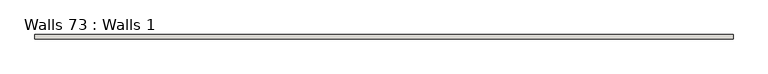
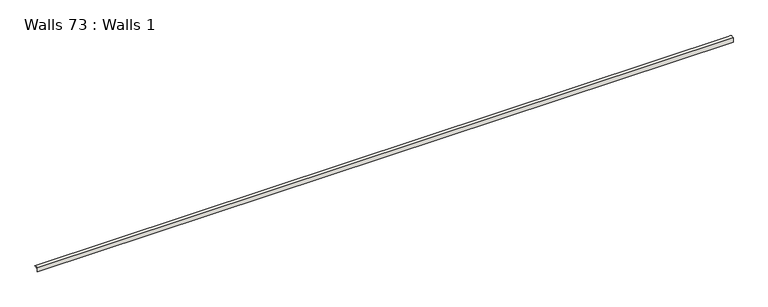
"""IFC4 building model written with IfcOpenShell, lengths in millimetres: wall geometry, Walls 73 : Walls 1."""

from ifc_helpers import new_model, si_unit, point, frame, frame_2d, origin, place, context, project, spatial, polyline, circle_curve, trimmed, segment, composite_curve, outline, extrude, source, transform, mapped, element, save


def walls_73_walls_1_e2f8c1c4(model_context):
    return source(origin(), model_context, "Body", "SweptSolid", [
        extrude(outline(composite_curve([segment(polyline([(1794.6970439, 3.1732159), (1794.6970439, 0.0), (1788.3470439, 0.0), (1788.3470439, -9.8564932), (1786.8041634, -9.8564932), (1786.8041634, 4.8468939)]), True, "CONTINUOUS"), segment(trimmed(circle_curve(frame_2d((1792.7745901, -5.7849882)), 12.1935603), [point((1786.8041634, 4.8468939))], [point((1801.0470439, 3.1732159))], False, "CARTESIAN"), True, "CONTINUOUS"), segment(polyline([(1801.0470439, 3.1732159), (1794.6970439, 3.1732159)]), True, "CONTINUOUS")], self_intersect=False)), frame((548.4976426, 0.0, 0.0), z_axis=(1.0, 0.0, 0.0), x_axis=(0.0, 1.0, 0.0)), (0.0, 0.0, 1.0), 2286.0),
    ])


if __name__ == "__main__":
    model = new_model("IFC4")
    model_context = context("Model", 3, world=origin())
    ifc_project = project(units=[si_unit("LENGTHUNIT", "METRE", prefix="MILLI")], contexts=[model_context])
    site = spatial("IfcSite", under=ifc_project)
    building = spatial("IfcBuilding", under=site)
    placement = place(None, origin())
    walls_73_walls_1_shape = walls_73_walls_1_e2f8c1c4(model_context)
    element("IfcWall", 1, ObjectType="Walls 73 : Walls 1", at=placement, inside=building, context=model_context, shape_type="MappedRepresentation", body=[
        mapped(walls_73_walls_1_shape, transform((0.0, 0.0, 0.0), x_axis=(1.0, 0.0, 0.0), y_axis=(0.0, 1.0, 0.0), z_axis=(0.0, 0.0, 1.0))),
    ])
    save(model, "model.ifc")
